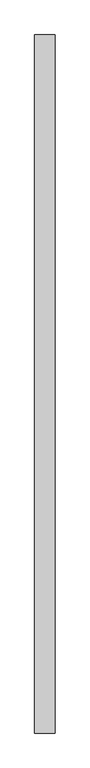
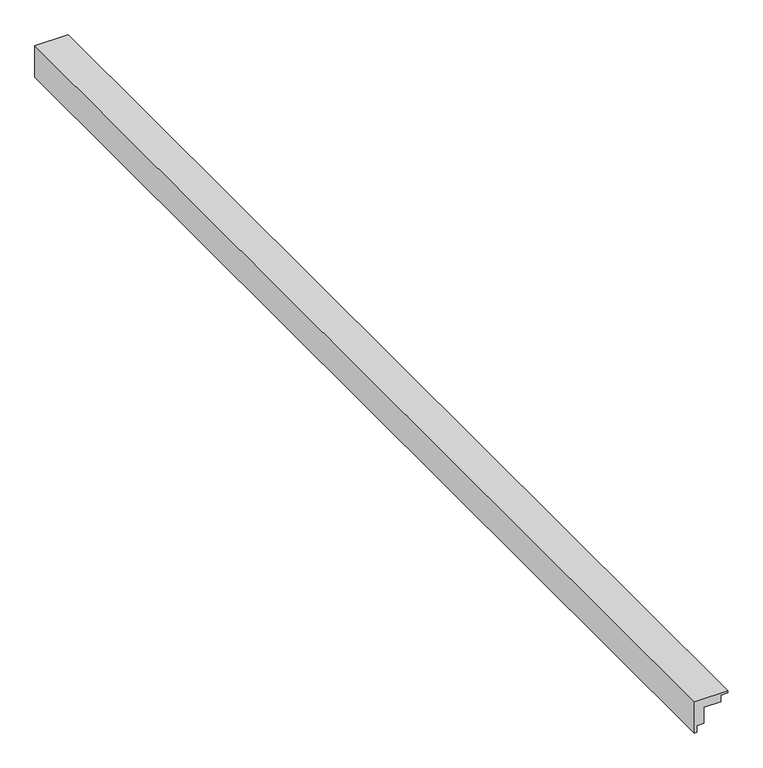
"""IFC4 building model written with IfcOpenShell, lengths in millimetres: proxy geometry."""

import ifcopenshell
import ifcopenshell.guid

model = None  # the IFC model being written
_history = None  # IfcOwnerHistory: only IFC2X3 demands one
_inside = {}  # id of a spatial element -> (the spatial element, [elements in it])
_under = {}  # id of a project, library or spatial element -> (it, [spatial elements below it])
_declared = {}  # id of a project -> (the project, [libraries it declares])
_typed = {}  # id of a type object -> (the type object, [elements of that type])
_made_of = {}  # id of a material, layer set ... -> (it, [elements and type objects made of it])


def new_model(schema):
    """Start an empty IFC model of exactly this schema.

    Asked for "IFC4X3", IfcOpenShell would pick the latest addendum, in which some entities
    have other attributes; the version numbers below select the first issue.
    IFC2X3 requires an IfcOwnerHistory on every rooted entity: one is made here for all.
    """
    global model, _history
    if schema == "IFC4X3":
        model = ifcopenshell.file(schema_version=(4, 3, 0, 0))
    else:
        model = ifcopenshell.file(schema=schema)
    _inside.clear()
    _under.clear()
    _declared.clear()
    _typed.clear()
    _made_of.clear()
    _history = None
    if model.schema == "IFC2X3":
        org = make("IfcOrganization", Name="unknown")
        user = make(
            "IfcPersonAndOrganization",
            ThePerson=make("IfcPerson", FamilyName="unknown"),
            TheOrganization=org,
        )
        app = make(
            "IfcApplication",
            ApplicationDeveloper=org,
            Version="unknown",
            ApplicationFullName="unknown",
            ApplicationIdentifier="unknown",
        )
        _history = make(
            "IfcOwnerHistory",
            OwningUser=user,
            OwningApplication=app,
            ChangeAction="ADDED",
            CreationDate=0,
        )
    return model


def make(cls, **values):
    """One entity of the class cls with the attributes given. An attribute that is None is left unset."""
    return model.create_entity(
        cls, **{name: value for name, value in values.items() if value is not None}
    )


def rooted(cls, **values):
    """An entity with a GlobalId (a new one), such as an element, a storey or a relation."""
    return make(cls, GlobalId=ifcopenshell.guid.new(), OwnerHistory=_history, **values)


def si_unit(unit_type, name, prefix=None):
    """IfcSIUnit, for example si_unit("LENGTHUNIT", "METRE", prefix="MILLI")."""
    return make("IfcSIUnit", UnitType=unit_type, Prefix=prefix, Name=name)


def assignment(units):
    """IfcUnitAssignment: the units of a project."""
    return None if units is None else make("IfcUnitAssignment", Units=units)


def point(xyz):
    """IfcCartesianPoint."""
    return None if xyz is None else make("IfcCartesianPoint", Coordinates=xyz)


def direction(xyz):
    """IfcDirection."""
    return None if xyz is None else make("IfcDirection", DirectionRatios=xyz)


def frame(location, z_axis=None, x_axis=None):
    """IfcAxis2Placement3D, a coordinate frame: its origin and axes. An axis left out is left unset."""
    return make(
        "IfcAxis2Placement3D",
        Location=point(location),
        Axis=direction(z_axis),
        RefDirection=direction(x_axis),
    )


def origin():
    """The frame at (0, 0, 0) with its axes left unset."""
    return frame((0.0, 0.0, 0.0))


def place(relative_to, where):
    """IfcLocalPlacement: puts the frame where relative to a parent placement (None: the world)."""
    return make(
        "IfcLocalPlacement", PlacementRelTo=relative_to, RelativePlacement=where
    )


def context(
    kind, dimensions, precision=None, world=None, true_north=None, identifier=None
):
    """IfcGeometricRepresentationContext, for example the 3D "Model" context."""
    return make(
        "IfcGeometricRepresentationContext",
        ContextIdentifier=identifier,
        ContextType=kind,
        CoordinateSpaceDimension=dimensions,
        Precision=precision,
        WorldCoordinateSystem=world,
        TrueNorth=true_north,
    )


def project(units=None, contexts=None):
    """IfcProject with its units and contexts."""
    return rooted(
        "IfcProject",
        Name="project",
        RepresentationContexts=contexts,
        UnitsInContext=assignment(units),
    )


def spatial(cls, under=None, at=None, **own):
    """A site, building, storey or space (cls), placed at a placement, below another one or the project."""
    s = rooted(cls, ObjectPlacement=at, **own)
    if under is not None:
        _under.setdefault(under.id(), (under, []))[1].append(s)
    return s


def polyline(points):
    """IfcPolyline through the points."""
    return make("IfcPolyline", Points=[point(p) for p in points])


def outline(outer, holes=None, kind="AREA"):
    """IfcArbitraryClosedProfileDef: a profile drawn as a closed curve; with holes, ...WithVoids."""
    if holes is None:
        return make("IfcArbitraryClosedProfileDef", ProfileType=kind, OuterCurve=outer)
    return make(
        "IfcArbitraryProfileDefWithVoids",
        ProfileType=kind,
        OuterCurve=outer,
        InnerCurves=holes,
    )


def extrude(swept, where, along, depth):
    """IfcExtrudedAreaSolid: the profile swept, set in the frame where, extruded along a direction by depth."""
    return make(
        "IfcExtrudedAreaSolid",
        SweptArea=swept,
        Position=where,
        ExtrudedDirection=direction(along),
        Depth=depth,
    )


def shape(context_of_items, identifier, shape_type, items):
    """IfcShapeRepresentation: the items that make up one representation, for example the "Body"."""
    return make(
        "IfcShapeRepresentation",
        ContextOfItems=context_of_items,
        RepresentationIdentifier=identifier,
        RepresentationType=shape_type,
        Items=items,
    )


def source(mapping_origin, context_of_items, identifier, shape_type, items):
    """IfcRepresentationMap: a shape defined once, which mapped items show again and again."""
    return make(
        "IfcRepresentationMap",
        MappingOrigin=mapping_origin,
        MappedRepresentation=shape(context_of_items, identifier, shape_type, items),
    )


def transform(
    local_origin,
    x_axis=None,
    y_axis=None,
    z_axis=None,
    scale=None,
    scale2=None,
    scale3=None,
    uniform=True,
):
    """IfcCartesianTransformationOperator3D, or its non-uniform kind. x_axis, y_axis, z_axis: its Axis1, 2, 3."""
    if uniform:
        return make(
            "IfcCartesianTransformationOperator3D",
            Axis1=direction(x_axis),
            Axis2=direction(y_axis),
            LocalOrigin=point(local_origin),
            Scale=scale,
            Axis3=direction(z_axis),
        )
    return make(
        "IfcCartesianTransformationOperator3DnonUniform",
        Axis1=direction(x_axis),
        Axis2=direction(y_axis),
        LocalOrigin=point(local_origin),
        Scale=scale,
        Axis3=direction(z_axis),
        Scale2=scale2,
        Scale3=scale3,
    )


def mapped(mapping_source, mapping_target):
    """IfcMappedItem: shows the shape of a source again, moved by a transform."""
    return make(
        "IfcMappedItem", MappingSource=mapping_source, MappingTarget=mapping_target
    )


def made_of(thing, what):
    """Note that an element or type object is made of a material, layer set ...; save() writes the relation."""
    if what is not None:
        _made_of.setdefault(what.id(), (what, []))[1].append(thing)
    return thing


def element(
    cls,
    number,
    at=None,
    inside=None,
    cuts=None,
    type_object=None,
    material=None,
    context=None,
    identifier="Body",
    shape_type=None,
    held_by="IfcProductDefinitionShape",
    body=None,
    shapes=None,
    **own,
):
    """One element of the class cls, such as IfcWall. Its Tag is "e" and its number.

    at: its placement. inside: the storey or other place that contains it. cuts: it is an
    opening in that element (IfcRelVoidsElement). A single representation is given by context,
    identifier, shape_type and body (its items); several are given by shapes. held_by: the class
    of the entity that holds the representations. save() writes the other relations.
    """
    e = rooted(cls, Tag="e%d" % number, ObjectPlacement=at, **own)
    if body is not None:
        shapes = [shape(context, identifier, shape_type, body)]
    if shapes is not None:
        e.Representation = make(held_by, Representations=shapes)
    if inside is not None:
        _inside.setdefault(inside.id(), (inside, []))[1].append(e)
    if cuts is not None:
        rooted(
            "IfcRelVoidsElement", RelatingBuildingElement=cuts, RelatedOpeningElement=e
        )
    if type_object is not None:
        _typed.setdefault(type_object.id(), (type_object, []))[1].append(e)
    return made_of(e, material)


def aggregate(whole, parts):
    """IfcRelAggregates: a whole, such as a stair, and the parts it consists of."""
    return rooted("IfcRelAggregates", RelatingObject=whole, RelatedObjects=parts)


def save(model, path):
    """Write the relations noted so far, then the file.

    IfcRelAggregates (storeys below a building ...), IfcRelContainedInSpatialStructure (elements
    in a storey), IfcRelDefinesByType, IfcRelAssociatesMaterial and IfcRelDeclares: one each for
    every whole, place, type object, material and project.
    """
    for whole, parts in _under.values():
        aggregate(whole, parts)
    for where, things in _inside.values():
        rooted(
            "IfcRelContainedInSpatialStructure",
            RelatedElements=things,
            RelatingStructure=where,
        )
    for kind, things in _typed.values():
        rooted("IfcRelDefinesByType", RelatedObjects=things, RelatingType=kind)
    for what, things in _made_of.values():
        rooted("IfcRelAssociatesMaterial", RelatedObjects=things, RelatingMaterial=what)
    for by, libraries in _declared.values():
        rooted("IfcRelDeclares", RelatingContext=by, RelatedDefinitions=libraries)
    model.write(path)


def generic_models_6900c23b(model_context):
    return source(origin(), model_context, "Body", "SweptSolid", [
        extrude(outline(polyline([(-63.5, -25.4), (-63.5, -19.05), (-44.45, -19.05), (-44.45, 0.0), (0.0, 0.0), (0.0, 44.45), (19.05, 44.45), (19.05, 63.5), (25.4, 63.5), (25.4, -25.4), (-63.5, -25.4)])), frame((0.0, -1524.0, 0.0), z_axis=(0.0, 1.0, 0.0), x_axis=(0.0, 0.0, 1.0)), (0.0, 0.0, 1.0), 3048.0),
    ])


if __name__ == "__main__":
    model = new_model("IFC4")
    model_context = context("Model", 3, world=origin())
    ifc_project = project(units=[si_unit("LENGTHUNIT", "METRE", prefix="MILLI")], contexts=[model_context])
    site = spatial("IfcSite", under=ifc_project)
    building = spatial("IfcBuilding", under=site)
    placement = place(None, origin())
    generic_models_shape = generic_models_6900c23b(model_context)
    element("IfcBuildingElementProxy", 1, Name="Generic Models", at=placement, inside=building, context=model_context, shape_type="MappedRepresentation", body=[
        mapped(generic_models_shape, transform((0.0, 0.0, 0.0), x_axis=(1.0, 0.0, 0.0), y_axis=(0.0, 1.0, 0.0), z_axis=(0.0, 0.0, 1.0))),
    ])
    save(model, "model.ifc")
